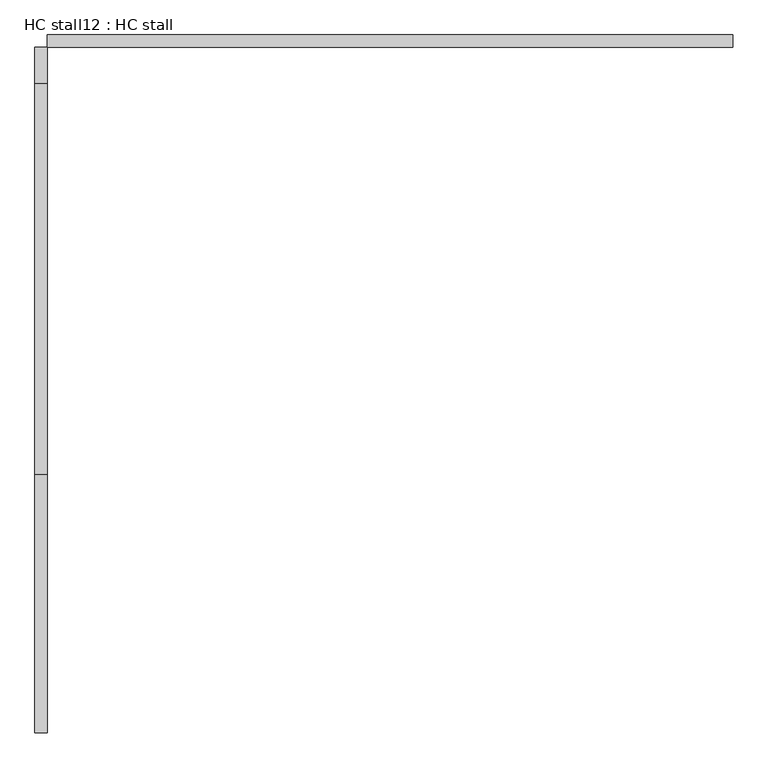
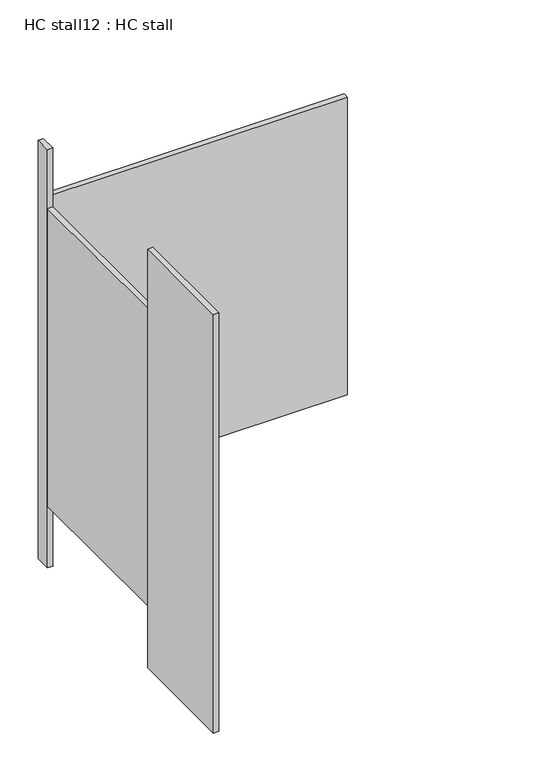
"""IFC4 building model written with IfcOpenShell, lengths in millimetres: proxy geometry, HC stall12 : HC stall."""

from ifc_helpers import new_model, si_unit, frame, origin, origin_with_axes, place, context, project, spatial, polyline, outline, extrude, source, transform, mapped, element, save


def hc_stall12_hc_stall_d0cd693a(model_context):
    return source(origin(), model_context, "Body", "SweptSolid", [
        extrude(outline(polyline([(456080.6004676, -337860.4955223), (456080.6004676, -337885.8955223), (454658.2004676, -337885.8955223), (454658.2004676, -337860.4955223), (456080.6004676, -337860.4955223)])), frame((0.0, 0.0, 304.8), z_axis=(0.0, 0.0, 1.0), x_axis=(1.0, 0.0, 0.0)), (0.0, 0.0, 1.0), 1473.2),
        extrude(outline(polyline([(454658.2004676, -338773.3080223), (454658.2004676, -339308.2955223), (454632.8004676, -339308.2955223), (454632.8004676, -338773.3080223), (454658.2004676, -338773.3080223)])), origin_with_axes(), (0.0, 0.0, 1.0), 2070.1),
        extrude(outline(polyline([(454658.2004676, -337885.8955223), (454658.2004676, -337960.5080223), (454632.8004676, -337960.5080223), (454632.8004676, -337885.8955223), (454658.2004676, -337885.8955223)])), origin_with_axes(), (0.0, 0.0, 1.0), 2070.1),
        extrude(outline(polyline([(454658.2004676, -337960.5080223), (454658.2004676, -338773.3080223), (454632.8004676, -338773.3080223), (454632.8004676, -337960.5080223), (454658.2004676, -337960.5080223)])), frame((0.0, 0.0, 304.8), z_axis=(0.0, 0.0, 1.0), x_axis=(1.0, 0.0, 0.0)), (0.0, 0.0, 1.0), 1473.2),
    ])


if __name__ == "__main__":
    model = new_model("IFC4")
    model_context = context("Model", 3, world=origin())
    ifc_project = project(units=[si_unit("LENGTHUNIT", "METRE", prefix="MILLI")], contexts=[model_context])
    site = spatial("IfcSite", under=ifc_project)
    building = spatial("IfcBuilding", under=site)
    placement = place(None, origin())
    hc_stall12_hc_stall_shape = hc_stall12_hc_stall_d0cd693a(model_context)
    element("IfcBuildingElementProxy", 1, Name="HC stall12 : HC stall", ObjectType="HC stall12 : HC stall", at=placement, inside=building, context=model_context, shape_type="MappedRepresentation", body=[
        mapped(hc_stall12_hc_stall_shape, transform((0.0, 0.0, 0.0), x_axis=(1.0, 0.0, 0.0), y_axis=(0.0, 1.0, 0.0), z_axis=(0.0, 0.0, 1.0))),
    ])
    save(model, "model.ifc")
